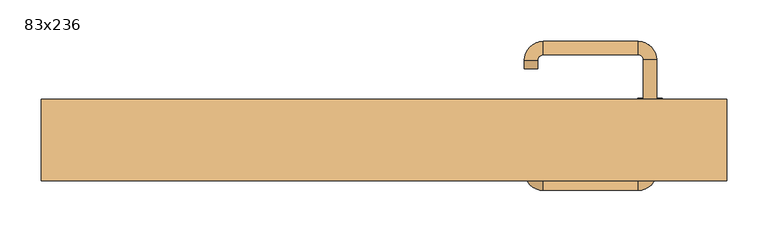
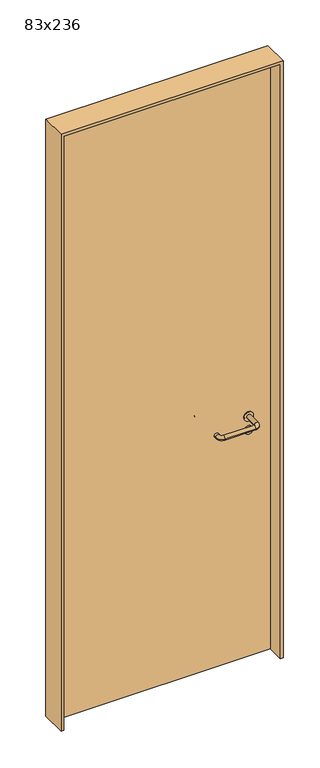
"""IFC4 building model written with IfcOpenShell, lengths in millimetres: door geometry, 83x236."""

from ifc_helpers import new_model, si_unit, point, frame, frame_2d, origin, origin_with_axes, place, context, project, spatial, polyline, circle_curve, ellipse_curve, trimmed, segment, composite_curve, outline, extrude, source, transform, mapped, element, save
from ifc_brep_helpers import plane_surface, cylinder_surface, revolved_surface, advanced_brep


def door_83x236_12e5baa4(model_context):
    return source(origin(), model_context, "Body", "SolidModel", [
        extrude(outline(composite_curve([segment(trimmed(circle_curve(frame_2d((897.3605726, 322.0)), 15.0), [point((897.3605726, 337.0))], [point((897.3605726, 307.0))], False, "CARTESIAN"), True, "CONTINUOUS"), segment(trimmed(circle_curve(frame_2d((897.3605726, 322.0)), 15.0), [point((897.3605726, 307.0))], [point((897.3605726, 337.0))], False, "CARTESIAN"), True, "CONTINUOUS")], self_intersect=False), holes=[composite_curve([segment(trimmed(circle_curve(frame_2d((892.5833211, 321.9398032)), 2.0), [point((892.5833211, 323.9398032))], [point((892.5833211, 319.9398032))], True, "CARTESIAN"), True, "CONTINUOUS"), segment(polyline([(892.5833211, 319.9398032), (902.5833211, 319.9398032)]), True, "CONTINUOUS"), segment(trimmed(circle_curve(frame_2d((902.5833211, 321.9398032)), 2.0), [point((902.5833211, 319.9398032))], [point((902.5833211, 323.9398032))], True, "CARTESIAN"), True, "CONTINUOUS"), segment(polyline([(902.5833211, 323.9398032), (892.5833211, 323.9398032)]), True, "CONTINUOUS")], self_intersect=False)]), frame((0.0, 8.65, 0.0), z_axis=(0.0, 1.0, 0.0), x_axis=(0.0, 0.0, 1.0)), (0.0, 0.0, 1.0), 6.35),
        extrude(outline(composite_curve([segment(trimmed(circle_curve(frame_2d((950.0, 322.0)), 17.526), [point((950.0, 339.526))], [point((950.0, 304.474))], False, "CARTESIAN"), True, "CONTINUOUS"), segment(trimmed(circle_curve(frame_2d((950.0, 322.0)), 17.526), [point((950.0, 304.474))], [point((950.0, 339.526))], False, "CARTESIAN"), True, "CONTINUOUS")], self_intersect=False)), frame((0.0, 11.825, 0.0), z_axis=(0.0, 1.0, 0.0), x_axis=(0.0, 0.0, 1.0)), (0.0, 0.0, 1.0), 3.175),
        advanced_brep(
        [(330.0, 15.0, 950.0), (314.0, 15.0, 950.0), (314.0, -38.0, 950.0), (330.0, -38.0, 950.0), (307.8578644, -44.1421356, 950.0), (307.8578644, -60.1421356, 950.0), (192.8578644, -44.1421356, 950.0), (192.8578644, -60.1421356, 950.0), (186.008622, -37.2928932, 950.0), (170.008622, -37.2928932, 950.0), (170.008622, -27.2928932, 950.0), (186.008622, -27.2928932, 950.0)],
        [
            (0, 1, circle_curve(frame((322.0, 15.0, 950.0), z_axis=(0.0, 1.0, 0.0), x_axis=(-1.0, 0.0, 0.0)), 8.0)),
            (1, 0, circle_curve(frame((322.0, 15.0, 950.0), z_axis=(0.0, 1.0, 0.0), x_axis=(-1.0, 0.0, 0.0)), 8.0)),
            (1, 2),
            (2, 3, circle_curve(frame((322.0, -38.0, 950.0), z_axis=(0.0, 1.0, 0.0), x_axis=(-1.0, 0.0, 0.0)), 8.0)),
            (3, 0),
            (3, 2, circle_curve(frame((322.0, -38.0, 950.0), z_axis=(0.0, 1.0, 0.0), x_axis=(-1.0, 0.0, 0.0)), 8.0)),
            (4, 5, circle_curve(frame((307.8578644, -52.1421356, 950.0), z_axis=(1.0, 0.0, 0.0), x_axis=(0.0, 1.0, 0.0)), 8.0)),
            (5, 3, circle_curve(frame((307.8578644, -38.0, 950.0), z_axis=(0.0, 0.0, 1.0), x_axis=(1.0, 0.0, 0.0)), 22.1421356)),
            (2, 4, circle_curve(frame((307.8578644, -38.0, 950.0), z_axis=(0.0, 0.0, -1.0), x_axis=(1.0, 0.0, 0.0)), 6.1421356)),
            (5, 4, circle_curve(frame((307.8578644, -52.1421356, 950.0), z_axis=(1.0, 0.0, 0.0), x_axis=(0.0, 1.0, 0.0)), 8.0)),
            (4, 6),
            (6, 7, circle_curve(frame((192.8578644, -52.1421356, 950.0), z_axis=(1.0, 0.0, 0.0), x_axis=(0.0, 1.0, 0.0)), 8.0)),
            (7, 5),
            (7, 6, circle_curve(frame((192.8578644, -52.1421356, 950.0), z_axis=(1.0, 0.0, 0.0), x_axis=(0.0, 1.0, 0.0)), 8.0)),
            (8, 9, circle_curve(frame((178.008622, -37.2928932, 950.0), z_axis=(0.0, -1.0, 0.0), x_axis=(1.0, 0.0, 0.0)), 8.0)),
            (9, 7, circle_curve(frame((192.8578644, -37.2928932, 950.0), z_axis=(0.0, 0.0, 1.0), x_axis=(0.0, -1.0, 0.0)), 22.8492424)),
            (6, 8, circle_curve(frame((192.8578644, -37.2928932, 950.0), z_axis=(0.0, 0.0, -1.0), x_axis=(0.0, -1.0, 0.0)), 6.8492424)),
            (9, 8, circle_curve(frame((178.008622, -37.2928932, 950.0), z_axis=(0.0, -1.0, 0.0), x_axis=(1.0, 0.0, 0.0)), 8.0)),
            (10, 11, circle_curve(frame((178.008622, -27.2928932, 950.0), z_axis=(0.0, 1.0, 0.0), x_axis=(1.0, 0.0, 0.0)), 8.0)),
            (11, 10, circle_curve(frame((178.008622, -27.2928932, 950.0), z_axis=(0.0, 1.0, 0.0), x_axis=(1.0, 0.0, 0.0)), 8.0)),
            (8, 11),
            (10, 9),
        ],
        [
            plane_surface(frame((322.0, 15.0, 0.0), z_axis=(0.0, 1.0, 0.0), x_axis=(0.0, 0.0, 1.0))),
            cylinder_surface(frame((322.0, 15.0, 950.0), z_axis=(0.0, 1.0, 0.0), x_axis=(-1.0, 0.0, 0.0)), 8.0),
            revolved_surface(trimmed(ellipse_curve(frame((322.0, -38.0, 950.0), z_axis=(0.0, -1.0, 0.0), x_axis=(-1.0, 0.0, 0.0)), 8.0, 8.0), [point((330.0, -38.0, 950.0))], [point((314.0, -38.0, 950.0))], True, "CARTESIAN"), (307.8578644, -38.0, 0.0), (0.0, 0.0, 1.0)),
            revolved_surface(trimmed(ellipse_curve(frame((322.0, -38.0, 950.0), z_axis=(0.0, -1.0, 0.0), x_axis=(-1.0, 0.0, 0.0)), 8.0, 8.0), [point((314.0, -38.0, 950.0))], [point((330.0, -38.0, 950.0))], True, "CARTESIAN"), (307.8578644, -38.0, 0.0), (0.0, 0.0, 1.0)),
            cylinder_surface(frame((307.8578644, -52.1421356, 950.0), z_axis=(1.0, 0.0, 0.0), x_axis=(0.0, 1.0, 0.0)), 8.0),
            revolved_surface(trimmed(ellipse_curve(frame((192.8578644, -52.1421356, 950.0), z_axis=(-1.0, 0.0, 0.0), x_axis=(0.0, 1.0, 0.0)), 8.0, 8.0), [point((192.8578644, -60.1421356, 950.0))], [point((192.8578644, -44.1421356, 950.0))], True, "CARTESIAN"), (192.8578644, -37.2928932, 0.0), (0.0, 0.0, 1.0)),
            revolved_surface(trimmed(ellipse_curve(frame((192.8578644, -52.1421356, 950.0), z_axis=(-1.0, 0.0, 0.0), x_axis=(0.0, 1.0, 0.0)), 8.0, 8.0), [point((192.8578644, -44.1421356, 950.0))], [point((192.8578644, -60.1421356, 950.0))], True, "CARTESIAN"), (192.8578644, -37.2928932, 0.0), (0.0, 0.0, 1.0)),
            plane_surface(frame((178.008622, -27.2928932, 0.0), z_axis=(0.0, 1.0, 0.0), x_axis=(0.0, 0.0, 1.0))),
            cylinder_surface(frame((178.008622, -37.2928932, 950.0), z_axis=(0.0, -1.0, 0.0), x_axis=(1.0, 0.0, 0.0)), 8.0),
        ],
        [
            (0, [[1, 2]]),
            (1, [[3, 4, 5, -2]]),
            (1, [[-5, 6, -3, -1]]),
            (2, [[7, 8, -4, 9]]),
            (3, [[10, -9, -6, -8]]),
            (4, [[11, 12, 13, -7]]),
            (4, [[-13, 14, -11, -10]]),
            (5, [[15, 16, -12, 17]]),
            (6, [[18, -17, -14, -16]]),
            (7, [[19, 20]]),
            (8, [[21, -19, 22, -15]]),
            (8, [[-22, -20, -21, -18]]),
        ],
    ),
        extrude(outline(composite_curve([segment(trimmed(circle_curve(frame_2d((0.0, -15.0)), 15.0), [point((0.0, -30.0))], [point((0.0, 0.0))], False, "CARTESIAN"), True, "CONTINUOUS"), segment(trimmed(circle_curve(frame_2d((0.0, -15.0)), 15.0), [point((0.0, 0.0))], [point((0.0, -30.0))], False, "CARTESIAN"), True, "CONTINUOUS")], self_intersect=False), holes=[composite_curve([segment(trimmed(circle_curve(frame_2d((4.7772515, -14.9398032)), 2.0), [point((4.7772515, -16.9398032))], [point((4.7772515, -12.9398032))], True, "CARTESIAN"), True, "CONTINUOUS"), segment(polyline([(4.7772515, -12.9398032), (-5.2227485, -12.9398032)]), True, "CONTINUOUS"), segment(trimmed(circle_curve(frame_2d((-5.2227485, -14.9398032)), 2.0), [point((-5.2227485, -12.9398032))], [point((-5.2227485, -16.9398032))], True, "CARTESIAN"), True, "CONTINUOUS"), segment(polyline([(-5.2227485, -16.9398032), (4.7772515, -16.9398032)]), True, "CONTINUOUS")], self_intersect=False)]), frame((307.0, 45.0, 897.3605726), z_axis=(1.8870575173328306e-12, 1.0, 0.0), x_axis=(0.0, 0.0, -1.0)), (0.0, 0.0, 1.0), 6.35),
        extrude(outline(composite_curve([segment(trimmed(circle_curve(frame_2d((0.0, -17.526)), 17.526), [point((0.0, -35.052))], [point((0.0, 0.0))], False, "CARTESIAN"), True, "CONTINUOUS"), segment(trimmed(circle_curve(frame_2d((0.0, -17.526)), 17.526), [point((0.0, 0.0))], [point((0.0, -35.052))], False, "CARTESIAN"), True, "CONTINUOUS")], self_intersect=False)), frame((304.474, 45.0, 950.0), z_axis=(1.8870575173328306e-12, 1.0, 0.0), x_axis=(0.0, 0.0, -1.0)), (0.0, 0.0, 1.0), 3.175),
        advanced_brep(
        [(330.0, 45.0, 950.0), (314.0, 45.0, 950.0), (330.0, 98.0, 950.0), (314.0, 98.0, 950.0), (307.8578644, 104.1421356, 950.0), (307.8578644, 120.1421356, 950.0), (192.8578644, 120.1421356, 950.0), (192.8578644, 104.1421356, 950.0), (186.008622, 97.2928932, 950.0), (170.008622, 97.2928932, 950.0), (170.008622, 87.2928932, 950.0), (186.008622, 87.2928932, 950.0)],
        [
            (0, 1, circle_curve(frame((322.0, 45.0, 950.0), z_axis=(-1.888672253512351e-12, -1.0, 0.0), x_axis=(-1.0, 1.888672253512351e-12, 0.0)), 8.0)),
            (1, 0, circle_curve(frame((322.0, 45.0, 950.0), z_axis=(-1.888672253512351e-12, -1.0, 0.0), x_axis=(-1.0, 1.888672253512351e-12, 0.0)), 8.0)),
            (0, 2),
            (2, 3, circle_curve(frame((322.0, 98.0, 950.0), z_axis=(-1.888672253512351e-12, -1.0, 0.0), x_axis=(-1.0, 1.888672253512351e-12, 0.0)), 8.0)),
            (3, 1),
            (3, 2, circle_curve(frame((322.0, 98.0, 950.0), z_axis=(-1.888672253512351e-12, -1.0, 0.0), x_axis=(-1.0, 1.888672253512351e-12, 0.0)), 8.0)),
            (4, 3, circle_curve(frame((307.8578644, 98.0, 950.0), z_axis=(0.0, 0.0, -1.0), x_axis=(1.0, -1.880717803715015e-12, 0.0)), 6.1421356)),
            (2, 5, circle_curve(frame((307.8578644, 98.0, 950.0), z_axis=(0.0, 0.0, 1.0), x_axis=(1.0, -1.880717803715015e-12, 0.0)), 22.1421356)),
            (5, 4, circle_curve(frame((307.8578644, 112.1421356, 950.0), z_axis=(1.0, -1.913702061528922e-12, 0.0), x_axis=(-1.913702061528922e-12, -1.0, 0.0)), 8.0)),
            (4, 5, circle_curve(frame((307.8578644, 112.1421356, 950.0), z_axis=(1.0, -1.913702061528922e-12, 0.0), x_axis=(-1.913702061528922e-12, -1.0, 0.0)), 8.0)),
            (5, 6),
            (6, 7, circle_curve(frame((192.8578644, 112.1421356, 950.0), z_axis=(1.0, -1.913719828541269e-12, 0.0), x_axis=(-1.913719828541269e-12, -1.0, 0.0)), 8.0)),
            (7, 4),
            (7, 6, circle_curve(frame((192.8578644, 112.1421356, 950.0), z_axis=(1.0, -1.913719828541269e-12, 0.0), x_axis=(-1.913719828541269e-12, -1.0, 0.0)), 8.0)),
            (8, 7, circle_curve(frame((192.8578644, 97.2928932, 950.0), z_axis=(0.0, 0.0, -1.0), x_axis=(1.9120873253494017e-12, 1.0, 0.0)), 6.8492424)),
            (6, 9, circle_curve(frame((192.8578644, 97.2928932, 950.0), z_axis=(0.0, 0.0, 1.0), x_axis=(1.9120873253494017e-12, 1.0, 0.0)), 22.8492424)),
            (9, 8, circle_curve(frame((178.008622, 97.2928932, 950.0), z_axis=(1.890448610351751e-12, 1.0, 0.0), x_axis=(1.0, -1.890448610351751e-12, 0.0)), 8.0)),
            (8, 9, circle_curve(frame((178.008622, 97.2928932, 950.0), z_axis=(1.8888942981172756e-12, 1.0, 0.0), x_axis=(1.0, -1.8888942981172756e-12, 0.0)), 8.0)),
            (10, 11, circle_curve(frame((178.008622, 87.2928932, 950.0), z_axis=(-1.8903642334018795e-12, -1.0, 0.0), x_axis=(1.0, -1.8903642334018795e-12, 0.0)), 8.0)),
            (11, 10, circle_curve(frame((178.008622, 87.2928932, 950.0), z_axis=(-1.8903642334018795e-12, -1.0, 0.0), x_axis=(1.0, -1.8903642334018795e-12, 0.0)), 8.0)),
            (9, 10),
            (11, 8),
        ],
        [
            plane_surface(frame((322.0, 45.0, 0.0), z_axis=(-1.8870575173328306e-12, -1.0, 0.0), x_axis=(0.0, 0.0, 1.0))),
            cylinder_surface(frame((322.0, 45.0, 950.0), z_axis=(-1.888672253512351e-12, -1.0, 0.0), x_axis=(-1.0, 1.888672253512351e-12, 0.0)), 8.0),
            revolved_surface(trimmed(ellipse_curve(frame((322.0, 98.0, 950.0), z_axis=(-1.8823325398945356e-12, -1.0, 0.0), x_axis=(-1.0, 1.8823325398945356e-12, 0.0)), 8.0, 8.0), [point((330.0, 98.0, 950.0))], [point((314.0, 98.0, 950.0))], True, "CARTESIAN"), (307.8578644, 98.0, 0.0), (0.0, 0.0, 1.0)),
            revolved_surface(trimmed(ellipse_curve(frame((322.0, 98.0, 950.0), z_axis=(-1.8823325398945356e-12, -1.0, 0.0), x_axis=(-1.0, 1.8823325398945356e-12, 0.0)), 8.0, 8.0), [point((314.0, 98.0, 950.0))], [point((330.0, 98.0, 950.0))], True, "CARTESIAN"), (307.8578644, 98.0, 0.0), (0.0, 0.0, 1.0)),
            cylinder_surface(frame((307.8578644, 112.1421356, 950.0), z_axis=(1.0, -1.913719828541269e-12, 0.0), x_axis=(-1.913719828541269e-12, -1.0, 0.0)), 8.0),
            revolved_surface(trimmed(ellipse_curve(frame((192.8578644, 112.1421356, 950.0), z_axis=(1.0, -1.913702061528922e-12, 0.0), x_axis=(-1.913702061528922e-12, -1.0, 0.0)), 8.0, 8.0), [point((192.8578644, 120.1421356, 950.0))], [point((192.8578644, 104.1421356, 950.0))], True, "CARTESIAN"), (192.8578644, 97.2928932, 0.0), (0.0, 0.0, 1.0)),
            revolved_surface(trimmed(ellipse_curve(frame((192.8578644, 112.1421356, 950.0), z_axis=(1.0, -1.913702061528922e-12, 0.0), x_axis=(-1.913702061528922e-12, -1.0, 0.0)), 8.0, 8.0), [point((192.8578644, 104.1421356, 950.0))], [point((192.8578644, 120.1421356, 950.0))], True, "CARTESIAN"), (192.8578644, 97.2928932, 0.0), (0.0, 0.0, 1.0)),
            plane_surface(frame((178.008622, 87.2928932, 0.0), z_axis=(-1.8887494972223595e-12, -1.0, 0.0), x_axis=(0.0, 0.0, 1.0))),
            cylinder_surface(frame((178.008622, 97.2928932, 950.0), z_axis=(1.8903642334018795e-12, 1.0, 0.0), x_axis=(1.0, -1.8903642334018795e-12, 0.0)), 8.0),
        ],
        [
            (0, [[1, 2]]),
            (1, [[-1, 3, 4, 5]]),
            (1, [[-2, -5, 6, -3]]),
            (2, [[7, -4, 8, 9]]),
            (3, [[-8, -6, -7, 10]]),
            (4, [[-9, 11, 12, 13]]),
            (4, [[-10, -13, 14, -11]]),
            (5, [[15, -12, 16, 17]]),
            (6, [[-16, -14, -15, 18]]),
            (7, [[19, 20]]),
            (8, [[-17, 21, -20, 22]]),
            (8, [[-18, -22, -19, -21]]),
        ],
    ),
        extrude(outline(polyline([(2350.0, 405.0), (0.0, 405.0), (0.0, 415.0), (2360.0, 415.0), (2360.0, -415.0), (0.0, -415.0), (0.0, -405.0), (2350.0, -405.0), (2350.0, 405.0)])), frame((0.0, -49.0, 0.0), z_axis=(0.0, 1.0, 0.0), x_axis=(0.0, 0.0, 1.0)), (0.0, 0.0, 1.0), 99.0),
        extrude(outline(polyline([(-405.0, 45.0), (405.0, 45.0), (405.0, 15.0), (-405.0, 15.0), (-405.0, 45.0)])), origin_with_axes(), (0.0, 0.0, 1.0), 2350.0),
    ])


if __name__ == "__main__":
    model = new_model("IFC4")
    model_context = context("Model", 3, world=origin())
    ifc_project = project(units=[si_unit("LENGTHUNIT", "METRE", prefix="MILLI")], contexts=[model_context])
    site = spatial("IfcSite", under=ifc_project)
    building = spatial("IfcBuilding", under=site)
    placement = place(None, origin())
    door_83x236_shape = door_83x236_12e5baa4(model_context)
    element("IfcDoor", 1, ObjectType="83x236", at=placement, inside=building, context=model_context, shape_type="MappedRepresentation", body=[
        mapped(door_83x236_shape, transform((0.0, 0.0, 0.0), x_axis=(1.0, 0.0, 0.0), y_axis=(0.0, 1.0, 0.0), z_axis=(0.0, 0.0, 1.0))),
    ])
    save(model, "model.ifc")
